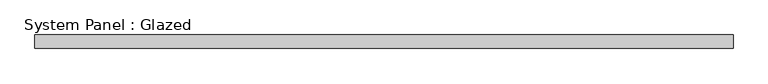
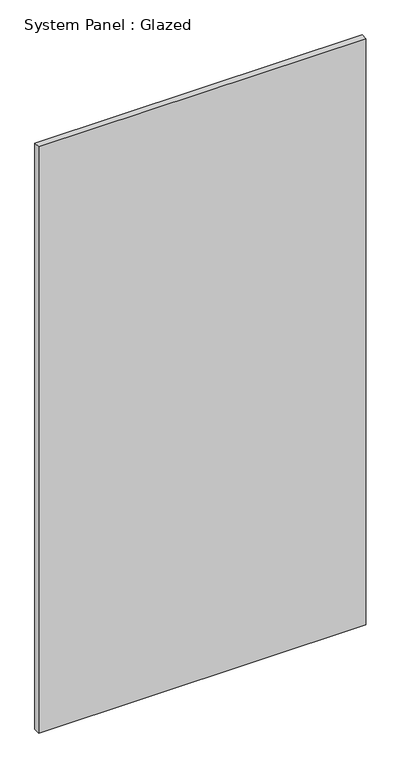
"""IFC4 building model written with IfcOpenShell, lengths in millimetres: plate geometry, System Panel : Glazed."""

from ifc_helpers import new_model, si_unit, origin, origin_with_axes, place, context, project, spatial, polyline, outline, extrude, source, transform, mapped, element, save


def system_panel_glazed_830a9739(model_context):
    return source(origin(), model_context, "Body", "SweptSolid", [
        extrude(outline(polyline([(1029.1666667, -20.0), (-1029.1666667, -20.0), (-1029.1666667, 20.0), (1029.1666667, 20.0), (1029.1666667, -20.0)])), origin_with_axes(), (0.0, 0.0, 1.0), 3900.0),
    ])


if __name__ == "__main__":
    model = new_model("IFC4")
    model_context = context("Model", 3, world=origin())
    ifc_project = project(units=[si_unit("LENGTHUNIT", "METRE", prefix="MILLI")], contexts=[model_context])
    site = spatial("IfcSite", under=ifc_project)
    building = spatial("IfcBuilding", under=site)
    placement = place(None, origin())
    system_panel_glazed_shape = system_panel_glazed_830a9739(model_context)
    element("IfcPlate", 1, ObjectType="System Panel : Glazed", at=placement, inside=building, context=model_context, shape_type="MappedRepresentation", body=[
        mapped(system_panel_glazed_shape, transform((0.0, 0.0, 0.0), x_axis=(1.0, 0.0, 0.0), y_axis=(0.0, 1.0, 0.0), z_axis=(0.0, 0.0, 1.0))),
    ])
    save(model, "model.ifc")
